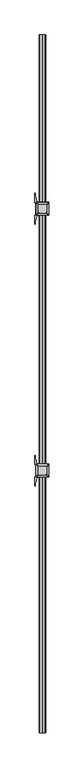
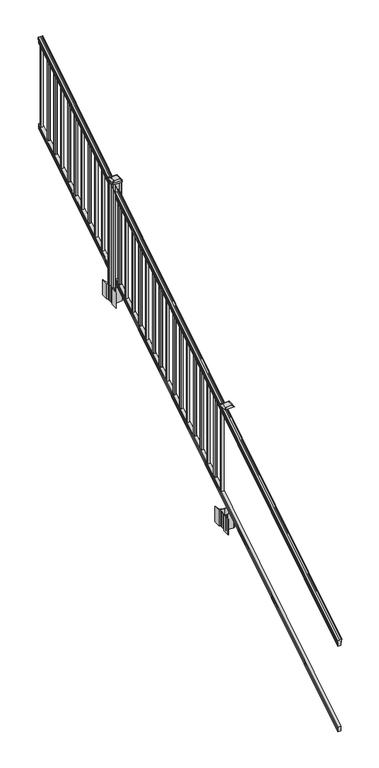
"""IFC4 building model written with IfcOpenShell, lengths in millimetres: railing geometry."""

from ifc_helpers import new_model, si_unit, point, frame, frame_2d, origin, place, context, project, spatial, polyline, circle_curve, ellipse_curve, trimmed, segment, composite_curve, outline, extrude, faceted_brep, source, transform, mapped, element, save
from ifc_brep_helpers import plane_surface, cylinder_surface, revolved_surface, extruded_surface, advanced_brep


def railing_2fafde2e(model_context):
    return source(origin(), model_context, "Body", "SolidModel", [
        advanced_brep(
        [(8518.5130321, -7669.8194681, 1133.2070492), (8518.5130321, -7669.8194681, 1135.4335658), (8519.6432184, -7669.8194681, 1137.2758543), (8519.6432184, -7669.8194681, 1145.7876358), (8518.993962, -7669.8194681, 1148.6572588), (8521.493962, -7669.8194681, 1153.7635509), (8522.9033045, -7669.8194681, 1155.7442021), (8523.3052035, -7669.8194681, 1157.0469579), (8523.3052034, -7669.8194681, 1158.6274846), (8521.7517561, -7669.8194681, 1160.4593836), (8501.0802034, -7669.8194681, 1160.4593836), (8480.4086506, -7669.8194681, 1160.4593836), (8478.8552034, -7669.8194681, 1158.6274846), (8478.8552034, -7669.8194681, 1157.0469579), (8479.2571023, -7669.8194681, 1155.7442021), (8480.6664447, -7669.8194681, 1153.7635509), (8483.1664447, -7669.8194681, 1148.6572588), (8482.5171883, -7669.8194681, 1145.7876358), (8482.5171883, -7669.8194681, 1137.2758543), (8483.6473746, -7669.8194681, 1135.4335658), (8483.6473746, -7669.8194681, 1133.2070492), (8486.2212034, -7669.8194681, 1133.2070492), (8486.2212034, -7669.8194681, 1120.825537), (8485.2052034, -7669.8194681, 1119.6274214), (8485.2052034, -7669.8194681, 1104.9), (8516.9552034, -7669.8194681, 1104.9), (8516.9552034, -7669.8194681, 1119.441318), (8515.9392034, -7669.8194681, 1120.6394336), (8515.9392034, -7669.8194681, 1133.2070492), (8518.5130321, -2793.0194681, 4181.2070492), (8515.9392034, -2793.0194681, 4181.2070492), (8515.9392034, -2793.0194681, 4168.6394336), (8516.9552034, -2793.0194681, 4167.441318), (8516.9552034, -2793.0194681, 4152.9), (8485.2052034, -2793.0194681, 4152.9), (8485.2052034, -2793.0194681, 4167.6274214), (8486.2212034, -2793.0194681, 4168.825537), (8486.2212034, -2793.0194681, 4181.2070492), (8483.6473746, -2793.0194681, 4181.2070492), (8483.6473746, -2793.0194681, 4183.4335658), (8482.5171883, -2793.0194681, 4185.2758543), (8482.5171883, -2793.0194681, 4193.7876358), (8483.1664447, -2793.0194681, 4196.6572588), (8480.6664447, -2793.0194681, 4201.7635509), (8479.2571023, -2793.0194681, 4203.7442021), (8478.8552033, -2793.0194681, 4205.0469579), (8478.8552034, -2793.0194681, 4206.6274846), (8480.4086506, -2793.0194681, 4208.4593836), (8501.0802034, -2793.0194681, 4208.4593836), (8521.7517561, -2793.0194681, 4208.4593836), (8523.3052034, -2793.0194681, 4206.6274846), (8523.3052034, -2793.0194681, 4205.0469579), (8522.9033045, -2793.0194681, 4203.7442021), (8521.493962, -2793.0194681, 4201.7635509), (8518.993962, -2793.0194681, 4196.6572588), (8519.6432184, -2793.0194681, 4193.7876358), (8519.6432184, -2793.0194681, 4185.2758543), (8518.5130321, -2793.0194681, 4183.4335658)],
        [
            (0, 1),
            (1, 2, ellipse_curve(frame((8512.1982788, -7669.8194681, 1142.2239405), z_axis=(0.0, -1.0, 0.0), x_axis=(0.0, 0.0, -1.0)), 10.0777926, 8.545951)),
            (2, 3, ellipse_curve(frame((8512.6353418, -7669.8194681, 1141.5317451), z_axis=(0.0, -1.0, 0.0), x_axis=(0.0, 0.0, -1.0)), 9.2955186, 7.882584)),
            (3, 4, ellipse_curve(frame((8523.1486659, -7669.8194681, 1148.4275077), z_axis=(0.0, 1.0, 0.0), x_axis=(0.0, 0.0, 1.0)), 4.9048088, 4.1592695)),
            (4, 5, ellipse_curve(frame((8524.4359725, -7669.8194681, 1148.3563208), z_axis=(0.0, 1.0, 0.0), x_axis=(0.0, 0.0, 1.0)), 6.4245301, 5.4479907)),
            (5, 6, ellipse_curve(frame((8523.202814, -7669.8194681, 1153.7602333), z_axis=(0.0, 1.0, 0.0), x_axis=(0.0, 0.0, 1.0)), 2.0151625, 1.7088543)),
            (6, 7, ellipse_curve(frame((8521.5859139, -7669.8194681, 1157.0469579), z_axis=(0.0, -1.0, 0.0), x_axis=(0.0, 0.0, -1.0)), 2.0274681, 1.7192895)),
            (7, 8),
            (8, 9, ellipse_curve(frame((8521.7517561, -7669.8194681, 1158.6274846), z_axis=(0.0, -1.0, 0.0), x_axis=(0.0, 0.0, -1.0)), 1.831899, 1.5534472)),
            (9, 10),
            (10, 11),
            (11, 12, ellipse_curve(frame((8480.4086506, -7669.8194681, 1158.6274846), z_axis=(0.0, -1.0, 0.0), x_axis=(0.0, 0.0, -1.0)), 1.831899, 1.5534472)),
            (12, 13),
            (13, 14, ellipse_curve(frame((8480.5744928, -7669.8194681, 1157.0469579), z_axis=(0.0, -1.0, 0.0), x_axis=(0.0, 0.0, -1.0)), 2.0274681, 1.7192895)),
            (14, 15, ellipse_curve(frame((8478.9575927, -7669.8194681, 1153.7602333), z_axis=(0.0, 1.0, 0.0), x_axis=(0.0, 0.0, 1.0)), 2.0151625, 1.7088543)),
            (15, 16, ellipse_curve(frame((8477.7244343, -7669.8194681, 1148.3563208), z_axis=(0.0, 1.0, 0.0), x_axis=(0.0, 0.0, 1.0)), 6.4245301, 5.4479907)),
            (16, 17, ellipse_curve(frame((8479.0117408, -7669.8194681, 1148.4275077), z_axis=(0.0, 1.0, 0.0), x_axis=(0.0, 0.0, 1.0)), 4.9048088, 4.1592695)),
            (17, 18, ellipse_curve(frame((8489.525065, -7669.8194681, 1141.5317451), z_axis=(0.0, -1.0, 0.0), x_axis=(0.0, 0.0, -1.0)), 9.2955186, 7.882584)),
            (18, 19, ellipse_curve(frame((8489.9621279, -7669.8194681, 1142.2239405), z_axis=(0.0, -1.0, 0.0), x_axis=(0.0, 0.0, -1.0)), 10.0777926, 8.545951)),
            (19, 20),
            (20, 21, ellipse_curve(frame((8484.934289, -7669.8194681, 1133.2070492), z_axis=(0.0, -1.0, 0.0), x_axis=(0.0, 0.0, -1.0)), 1.5175907, 1.2869144)),
            (21, 22),
            (22, 23),
            (23, 24),
            (24, 25),
            (25, 26),
            (26, 27),
            (27, 28),
            (28, 0, ellipse_curve(frame((8517.2261177, -7669.8194681, 1133.2070492), z_axis=(0.0, -1.0, 0.0), x_axis=(0.0, 0.0, -1.0)), 1.5175907, 1.2869144)),
            (29, 30, ellipse_curve(frame((8517.2261177, -2793.0194681, 4181.2070492), z_axis=(0.0, 1.0, 0.0), x_axis=(0.0, 0.0, -1.0)), 1.5175907, 1.2869144)),
            (30, 31),
            (31, 32),
            (32, 33),
            (33, 34),
            (34, 35),
            (35, 36),
            (36, 37),
            (37, 38, ellipse_curve(frame((8484.934289, -2793.0194681, 4181.2070492), z_axis=(0.0, 1.0, 0.0), x_axis=(0.0, 0.0, -1.0)), 1.5175907, 1.2869144)),
            (38, 39),
            (39, 40, ellipse_curve(frame((8489.9621279, -2793.0194681, 4190.2239405), z_axis=(0.0, 1.0, 0.0), x_axis=(0.0, 0.0, -1.0)), 10.0777926, 8.545951)),
            (40, 41, ellipse_curve(frame((8489.525065, -2793.0194681, 4189.5317451), z_axis=(0.0, 1.0, 0.0), x_axis=(0.0, 0.0, -1.0)), 9.2955186, 7.882584)),
            (41, 42, ellipse_curve(frame((8479.0117408, -2793.0194681, 4196.4275077), z_axis=(0.0, -1.0, 0.0), x_axis=(0.0, 0.0, 1.0)), 4.9048088, 4.1592695)),
            (42, 43, ellipse_curve(frame((8477.7244343, -2793.0194681, 4196.3563208), z_axis=(0.0, -1.0, 0.0), x_axis=(0.0, 0.0, 1.0)), 6.4245301, 5.4479907)),
            (43, 44, ellipse_curve(frame((8478.9575927, -2793.0194681, 4201.7602333), z_axis=(0.0, -1.0, 0.0), x_axis=(0.0, 0.0, 1.0)), 2.0151625, 1.7088543)),
            (44, 45, ellipse_curve(frame((8480.5744928, -2793.0194681, 4205.0469579), z_axis=(0.0, 1.0, 0.0), x_axis=(0.0, 0.0, -1.0)), 2.0274681, 1.7192895)),
            (45, 46),
            (46, 47, ellipse_curve(frame((8480.4086506, -2793.0194681, 4206.6274846), z_axis=(0.0, 1.0, 0.0), x_axis=(0.0, 0.0, -1.0)), 1.831899, 1.5534472)),
            (47, 48),
            (48, 49),
            (49, 50, ellipse_curve(frame((8521.7517561, -2793.0194681, 4206.6274846), z_axis=(0.0, 1.0, 0.0), x_axis=(0.0, 0.0, -1.0)), 1.831899, 1.5534472)),
            (50, 51),
            (51, 52, ellipse_curve(frame((8521.5859139, -2793.0194681, 4205.0469579), z_axis=(0.0, 1.0, 0.0), x_axis=(0.0, 0.0, -1.0)), 2.0274681, 1.7192895)),
            (52, 53, ellipse_curve(frame((8523.202814, -2793.0194681, 4201.7602333), z_axis=(0.0, -1.0, 0.0), x_axis=(0.0, 0.0, 1.0)), 2.0151625, 1.7088543)),
            (53, 54, ellipse_curve(frame((8524.4359725, -2793.0194681, 4196.3563208), z_axis=(0.0, -1.0, 0.0), x_axis=(0.0, 0.0, 1.0)), 6.4245301, 5.4479907)),
            (54, 55, ellipse_curve(frame((8523.1486659, -2793.0194681, 4196.4275077), z_axis=(0.0, -1.0, 0.0), x_axis=(0.0, 0.0, 1.0)), 4.9048088, 4.1592695)),
            (55, 56, ellipse_curve(frame((8512.6353418, -2793.0194681, 4189.5317451), z_axis=(0.0, 1.0, 0.0), x_axis=(0.0, 0.0, -1.0)), 9.2955186, 7.882584)),
            (56, 57, ellipse_curve(frame((8512.1982788, -2793.0194681, 4190.2239405), z_axis=(0.0, 1.0, 0.0), x_axis=(0.0, 0.0, -1.0)), 10.0777926, 8.545951)),
            (57, 29),
            (28, 30),
            (29, 0),
            (27, 31),
            (26, 32),
            (25, 33),
            (24, 34),
            (23, 35),
            (22, 36),
            (21, 37),
            (20, 38),
            (19, 39),
            (18, 40),
            (17, 41),
            (16, 42),
            (15, 43),
            (14, 44),
            (13, 45),
            (12, 46),
            (11, 47),
            (10, 48),
            (9, 49),
            (8, 50),
            (7, 51),
            (6, 52),
            (5, 53),
            (4, 54),
            (3, 55),
            (2, 56),
            (1, 57),
        ],
        [
            plane_surface(frame((8501.0802034, -7669.8194681, 1104.9), z_axis=(0.0, -1.0, 0.0), x_axis=(0.0, 0.0, 1.0))),
            plane_surface(frame((8501.0802034, -2793.0194681, 4152.9), z_axis=(0.0, 1.0, 0.0), x_axis=(0.0, 0.0, 1.0))),
            cylinder_surface(frame((8517.2261177, -7682.5417374, 1125.2556309), z_axis=(0.0, -0.8479983040051252, -0.5299989400031204), x_axis=(-1.0, 0.0, 0.0)), 1.2869144),
            plane_surface(frame((8515.9392034, -7669.8194681, 1120.6394336), z_axis=(1.0, 0.0, 0.0), x_axis=(0.0, 0.8479983040051252, 0.5299989400031204))),
            plane_surface(frame((8516.9552034, -7669.8194681, 1119.441318), z_axis=(0.7071067811865389, -0.374765844497894, 0.5996253511967223), x_axis=(0.0, 0.8479983040051252, 0.5299989400031205))),
            plane_surface(frame((8516.9552034, -7669.8194681, 1104.9), z_axis=(1.0, 0.0, 0.0), x_axis=(0.0, 0.8479983040051252, 0.5299989400031205))),
            plane_surface(frame((8485.2052034, -7669.8194681, 1104.9), z_axis=(0.0, 0.5299989400031204, -0.8479983040051252), x_axis=(0.0, 0.8479983040051252, 0.5299989400031204))),
            plane_surface(frame((8485.2052034, -7669.8194681, 1119.6274214), z_axis=(-1.0, 0.0, 0.0), x_axis=(0.0, 0.8479983040051252, 0.5299989400031204))),
            plane_surface(frame((8486.2212034, -7669.8194681, 1120.825537), z_axis=(-0.7071067811865439, -0.37476584449788986, 0.5996253511967191), x_axis=(0.0, 0.8479983040051252, 0.5299989400031204))),
            plane_surface(frame((8486.2212034, -7669.8194681, 1133.2070492), z_axis=(-1.0000000000000002, 0.0, 0.0), x_axis=(0.0, 0.8479983040051253, 0.5299989400031204))),
            cylinder_surface(frame((8484.934289, -7682.5417374, 1125.2556309), z_axis=(0.0, -0.8479983040051252, -0.5299989400031204), x_axis=(1.0, 0.0, 0.0)), 1.2869144),
            plane_surface(frame((8483.6473746, -7669.8194681, 1135.4335658), z_axis=(-1.0, 0.0, 0.0), x_axis=(0.0, 0.8479983040051252, 0.5299989400031204))),
            cylinder_surface(frame((8489.9621279, -7686.5942728, 1131.7396876), z_axis=(0.0, -0.8479983040051252, -0.5299989400031204), x_axis=(1.0, 0.0, 0.0)), 8.545951),
            cylinder_surface(frame((8489.525065, -7686.2831737, 1131.241929), z_axis=(0.0, -0.8479983040051252, -0.5299989400031204), x_axis=(1.0, 0.0, 0.0)), 7.882584),
            revolved_surface(polyline([(8483.1710103, -2790.8150596503474, 4197.805262980553), (8483.1710103, -7672.023876549438, 1147.0497524190998)]), (8479.0117408, -7689.3823929, 1136.2006797), (0.0, 0.8479983040051252, 0.5299989400031204)),
            revolved_surface(polyline([(8483.172425, -2790.132038835741, 4198.160964077184), (8483.172425, -7672.7068973528085, 1146.5516775044932)]), (8477.7244343, -7689.3503988, 1136.1494891), (0.0, 0.8479983040051252, 0.5299989400031204)),
            revolved_surface(polyline([(8480.666447000001, -2792.113777099785, 4202.326290199656), (8480.666447000001, -7670.725159122471, 1153.1941764359535)]), (8478.9575927, -7691.7791235, 1140.0354487), (0.0, 0.8479983040051252, 0.5299989400031204)),
            cylinder_surface(frame((8480.5744928, -7693.2563031, 1142.398936), z_axis=(0.0, -0.8479983040051252, -0.5299989400031204), x_axis=(1.0, 0.0, 0.0)), 1.7192895),
            plane_surface(frame((8478.8552034, -7669.8194681, 1158.6274846), z_axis=(-1.0, 0.0, 0.0), x_axis=(0.0, 0.8479983040051252, 0.5299989400031204))),
            cylinder_surface(frame((8480.4086506, -7693.9666522, 1143.5354945), z_axis=(0.0, -0.8479983040051252, -0.5299989400031204), x_axis=(1.0, 0.0, 0.0)), 1.5534472),
            plane_surface(frame((8501.0802034, -7669.8194681, 1160.4593836), z_axis=(0.0, -0.5299989400031204, 0.8479983040051252), x_axis=(0.0, 0.8479983040051252, 0.5299989400031204))),
            plane_surface(frame((8521.7517561, -7669.8194681, 1160.4593836), z_axis=(0.0, -0.5299989400031204, 0.8479983040051252), x_axis=(0.0, 0.8479983040051252, 0.5299989400031204))),
            cylinder_surface(frame((8521.7517561, -7693.9666522, 1143.5354945), z_axis=(0.0, -0.8479983040051252, -0.5299989400031204), x_axis=(-1.0, 0.0, 0.0)), 1.5534472),
            plane_surface(frame((8523.3052034, -7669.8194681, 1157.0469579), z_axis=(1.0, 0.0, 0.0), x_axis=(0.0, 0.8479983040051252, 0.5299989400031204))),
            cylinder_surface(frame((8521.5859139, -7693.2563031, 1142.398936), z_axis=(0.0, -0.8479983040051252, -0.5299989400031204), x_axis=(-1.0, 0.0, 0.0)), 1.7192895),
            revolved_surface(polyline([(8521.4939597, -2792.113777099785, 4202.326290199656), (8521.4939597, -7670.725159122471, 1153.1941764359535)]), (8523.202814, -7691.7791235, 1140.0354487), (0.0, 0.8479983040051252, 0.5299989400031204)),
            revolved_surface(polyline([(8518.987981799999, -2790.132038835741, 4198.160964077184), (8518.987981799999, -7672.7068973528085, 1146.5516775044932)]), (8524.4359725, -7689.3503988, 1136.1494891), (0.0, 0.8479983040051252, 0.5299989400031204)),
            revolved_surface(polyline([(8518.9893964, -2790.8150596503474, 4197.805262980553), (8518.9893964, -7672.023876549438, 1147.0497524190998)]), (8523.1486659, -7689.3823929, 1136.2006797), (0.0, 0.8479983040051252, 0.5299989400031204)),
            cylinder_surface(frame((8512.6353418, -7686.2831737, 1131.241929), z_axis=(0.0, -0.8479983040051252, -0.5299989400031204), x_axis=(-1.0, 0.0, 0.0)), 7.882584),
            cylinder_surface(frame((8512.1982788, -7686.5942728, 1131.7396876), z_axis=(0.0, -0.8479983040051252, -0.5299989400031204), x_axis=(-1.0, 0.0, 0.0)), 8.545951),
            plane_surface(frame((8518.5130321, -7669.8194681, 1133.2070492), z_axis=(1.0, 0.0, 0.0), x_axis=(0.0, 0.8479983040051252, 0.5299989400031204))),
        ],
        [
            (0, [[1, 2, 3, 4, 5, 6, 7, 8, 9, 10, 11, 12, 13, 14, 15, 16, 17, 18, 19, 20, 21, 22, 23, 24, 25, 26, 27, 28, 29]]),
            (1, [[30, 31, 32, 33, 34, 35, 36, 37, 38, 39, 40, 41, 42, 43, 44, 45, 46, 47, 48, 49, 50, 51, 52, 53, 54, 55, 56, 57, 58]]),
            (2, [[-29, 59, -30, 60]]),
            (3, [[-28, 61, -31, -59]]),
            (4, [[-27, 62, -32, -61]]),
            (5, [[-26, 63, -33, -62]]),
            (6, [[-25, 64, -34, -63]]),
            (7, [[-24, 65, -35, -64]]),
            (8, [[-23, 66, -36, -65]]),
            (9, [[-22, 67, -37, -66]]),
            (10, [[-21, 68, -38, -67]]),
            (11, [[-20, 69, -39, -68]]),
            (12, [[-19, 70, -40, -69]]),
            (13, [[-18, 71, -41, -70]]),
            (14, [[-17, 72, -42, -71]]),
            (15, [[-16, 73, -43, -72]]),
            (16, [[-15, 74, -44, -73]]),
            (17, [[-14, 75, -45, -74]]),
            (18, [[-13, 76, -46, -75]]),
            (19, [[-12, 77, -47, -76]]),
            (20, [[-11, 78, -48, -77]]),
            (21, [[-10, 79, -49, -78]]),
            (22, [[-9, 80, -50, -79]]),
            (23, [[-8, 81, -51, -80]]),
            (24, [[-7, 82, -52, -81]]),
            (25, [[-6, 83, -53, -82]]),
            (26, [[-5, 84, -54, -83]]),
            (27, [[-4, 85, -55, -84]]),
            (28, [[-3, 86, -56, -85]]),
            (29, [[-2, 87, -57, -86]]),
            (30, [[-1, -60, -58, -87]]),
        ],
    ),
        faceted_brep([(8516.9926903, -7669.8194681, 268.8045079), (8515.9766903, -7669.8194681, 270.338026), (8515.9766903, -7669.8194681, 282.5545048), (8516.9926903, -7669.8194681, 284.1444579), (8516.9926903, -7669.8194681, 298.9244744), (8485.2426903, -7669.8194681, 298.9244744), (8485.2426903, -7669.8194681, 284.1248272), (8486.2586903, -7669.8194681, 282.5348741), (8486.2586903, -7669.8194681, 270.3748303), (8485.2426903, -7669.8194681, 268.7848772), (8485.2426903, -7669.8194681, 254.0), (8516.9926903, -7669.8194681, 254.0), (8516.9926903, -2793.0194681, 3316.8045079), (8516.9926903, -2793.0194681, 3302.0), (8485.2426903, -2793.0194681, 3302.0), (8485.2426903, -2793.0194681, 3316.7848772), (8486.2586903, -2793.0194681, 3318.3748303), (8486.2586903, -2793.0194681, 3330.5348741), (8485.2426903, -2793.0194681, 3332.1248272), (8485.2426903, -2793.0194681, 3346.9244744), (8516.9926903, -2793.0194681, 3346.9244744), (8516.9926903, -2793.0194681, 3332.1444579), (8515.9766903, -2793.0194681, 3330.5545048), (8515.9766903, -2793.0194681, 3318.338026)], [[[0, 1, 2, 3, 4, 5, 6, 7, 8, 9, 10, 11]], [[12, 13, 14, 15, 16, 17, 18, 19, 20, 21, 22, 23]], [[0, 11, 13, 12]], [[11, 10, 14, 13]], [[10, 9, 15, 14]], [[9, 8, 16, 15]], [[8, 7, 17, 16]], [[7, 6, 18, 17]], [[6, 5, 19, 18]], [[5, 4, 20, 19]], [[4, 3, 21, 20]], [[3, 2, 22, 21]], [[2, 1, 23, 22]], [[1, 0, 12, 23]]]),
        extrude(outline(polyline([(8510.6052034, -2824.1344681), (8491.5552034, -2824.1344681), (8491.5552034, -2805.0844681), (8510.6052034, -2805.0844681), (8510.6052034, -2824.1344681)]), holes=[polyline([(8510.2083284, -2823.7375931), (8510.2083284, -2805.4813431), (8491.9520784, -2805.4813431), (8491.9520784, -2823.7375931), (8510.2083284, -2823.7375931)])]), frame((0.0, 0.0, 3326.6021281), z_axis=(0.0, 0.0, 1.0), x_axis=(1.0, 0.0, 0.0)), (0.0, 0.0, 1.0), 812.8041219),
        extrude(outline(polyline([(8510.6052034, -2935.3864681), (8491.5552034, -2935.3864681), (8491.5552034, -2916.3364681), (8510.6052034, -2916.3364681), (8510.6052034, -2935.3864681)]), holes=[polyline([(8510.2083284, -2934.9895931), (8510.2083284, -2916.7333431), (8491.9520784, -2916.7333431), (8491.9520784, -2934.9895931), (8510.2083284, -2934.9895931)])]), frame((0.0, 0.0, 3257.0696281), z_axis=(0.0, 0.0, 1.0), x_axis=(1.0, 0.0, 0.0)), (0.0, 0.0, 1.0), 812.8041219),
        extrude(outline(polyline([(8510.6052034, -3046.6384681), (8491.5552034, -3046.6384681), (8491.5552034, -3027.5884681), (8510.6052034, -3027.5884681), (8510.6052034, -3046.6384681)]), holes=[polyline([(8510.2083284, -3046.2415931), (8510.2083284, -3027.9853431), (8491.9520784, -3027.9853431), (8491.9520784, -3046.2415931), (8510.2083284, -3046.2415931)])]), frame((0.0, 0.0, 3187.5371281), z_axis=(0.0, 0.0, 1.0), x_axis=(1.0, 0.0, 0.0)), (0.0, 0.0, 1.0), 812.8041219),
        extrude(outline(polyline([(8510.6052034, -3157.8904681), (8491.5552034, -3157.8904681), (8491.5552034, -3138.8404681), (8510.6052034, -3138.8404681), (8510.6052034, -3157.8904681)]), holes=[polyline([(8510.2083284, -3157.4935931), (8510.2083284, -3139.2373431), (8491.9520784, -3139.2373431), (8491.9520784, -3157.4935931), (8510.2083284, -3157.4935931)])]), frame((0.0, 0.0, 3118.0046281), z_axis=(0.0, 0.0, 1.0), x_axis=(1.0, 0.0, 0.0)), (0.0, 0.0, 1.0), 812.8041219),
        extrude(outline(polyline([(8510.6052034, -3269.1424681), (8491.5552034, -3269.1424681), (8491.5552034, -3250.0924681), (8510.6052034, -3250.0924681), (8510.6052034, -3269.1424681)]), holes=[polyline([(8510.2083284, -3268.7455931), (8510.2083284, -3250.4893431), (8491.9520784, -3250.4893431), (8491.9520784, -3268.7455931), (8510.2083284, -3268.7455931)])]), frame((0.0, 0.0, 3048.4721281), z_axis=(0.0, 0.0, 1.0), x_axis=(1.0, 0.0, 0.0)), (0.0, 0.0, 1.0), 812.8041219),
        extrude(outline(polyline([(8510.6052034, -3380.3944681), (8491.5552034, -3380.3944681), (8491.5552034, -3361.3444681), (8510.6052034, -3361.3444681), (8510.6052034, -3380.3944681)]), holes=[polyline([(8510.2083284, -3379.9975931), (8510.2083284, -3361.7413431), (8491.9520784, -3361.7413431), (8491.9520784, -3379.9975931), (8510.2083284, -3379.9975931)])]), frame((0.0, 0.0, 2978.9396281), z_axis=(0.0, 0.0, 1.0), x_axis=(1.0, 0.0, 0.0)), (0.0, 0.0, 1.0), 812.8041219),
        extrude(outline(polyline([(8510.6052034, -3491.6464681), (8491.5552034, -3491.6464681), (8491.5552034, -3472.5964681), (8510.6052034, -3472.5964681), (8510.6052034, -3491.6464681)]), holes=[polyline([(8510.2083284, -3491.2495931), (8510.2083284, -3472.9933431), (8491.9520784, -3472.9933431), (8491.9520784, -3491.2495931), (8510.2083284, -3491.2495931)])]), frame((0.0, 0.0, 2909.4071281), z_axis=(0.0, 0.0, 1.0), x_axis=(1.0, 0.0, 0.0)), (0.0, 0.0, 1.0), 812.8041219),
        extrude(outline(polyline([(8510.6052034, -3602.8984681), (8491.5552034, -3602.8984681), (8491.5552034, -3583.8484681), (8510.6052034, -3583.8484681), (8510.6052034, -3602.8984681)]), holes=[polyline([(8510.2083284, -3602.5015931), (8510.2083284, -3584.2453431), (8491.9520784, -3584.2453431), (8491.9520784, -3602.5015931), (8510.2083284, -3602.5015931)])]), frame((0.0, 0.0, 2839.8746281), z_axis=(0.0, 0.0, 1.0), x_axis=(1.0, 0.0, 0.0)), (0.0, 0.0, 1.0), 812.8041219),
        extrude(outline(polyline([(8510.6052034, -3714.1504681), (8491.5552034, -3714.1504681), (8491.5552034, -3695.1004681), (8510.6052034, -3695.1004681), (8510.6052034, -3714.1504681)]), holes=[polyline([(8510.2083284, -3713.7535931), (8510.2083284, -3695.4973431), (8491.9520784, -3695.4973431), (8491.9520784, -3713.7535931), (8510.2083284, -3713.7535931)])]), frame((0.0, 0.0, 2770.3421281), z_axis=(0.0, 0.0, 1.0), x_axis=(1.0, 0.0, 0.0)), (0.0, 0.0, 1.0), 812.8041219),
        extrude(outline(polyline([(8510.6052034, -3825.4024681), (8491.5552034, -3825.4024681), (8491.5552034, -3806.3524681), (8510.6052034, -3806.3524681), (8510.6052034, -3825.4024681)]), holes=[polyline([(8510.2083284, -3825.0055931), (8510.2083284, -3806.7493431), (8491.9520784, -3806.7493431), (8491.9520784, -3825.0055931), (8510.2083284, -3825.0055931)])]), frame((0.0, 0.0, 2700.8096281), z_axis=(0.0, 0.0, 1.0), x_axis=(1.0, 0.0, 0.0)), (0.0, 0.0, 1.0), 812.8041219),
        extrude(outline(polyline([(8510.6052034, -3936.6544681), (8491.5552034, -3936.6544681), (8491.5552034, -3917.6044681), (8510.6052034, -3917.6044681), (8510.6052034, -3936.6544681)]), holes=[polyline([(8510.2083284, -3936.2575931), (8510.2083284, -3918.0013431), (8491.9520784, -3918.0013431), (8491.9520784, -3936.2575931), (8510.2083284, -3936.2575931)])]), frame((0.0, 0.0, 2631.2771281), z_axis=(0.0, 0.0, 1.0), x_axis=(1.0, 0.0, 0.0)), (0.0, 0.0, 1.0), 812.8041219),
        extrude(outline(composite_curve([segment(polyline([(8543.8157034, -4025.541563), (8545.4032034, -4026.303563), (8545.4032034, -4049.105491), (8542.0302263, -4052.4784681), (8480.5705555, -4052.4784681), (8480.5705555, -4053.3992181), (8475.2530117, -4053.3992181), (8475.2530117, -4054.8534728), (8470.168482, -4054.8534728), (8470.168482, -4056.1374966), (8468.5012097, -4056.1374966)]), True, "CONTINUOUS"), segment(trimmed(circle_curve(frame_2d((8468.5012097, -4063.1969565)), 7.0594599), [point((8468.5012097, -4056.1374966))], [point((8461.7339468, -4061.1869498))], True, "CARTESIAN"), True, "CONTINUOUS"), segment(polyline([(8461.7339468, -4061.1869498), (8453.8597526, -4087.6976789)]), True, "CONTINUOUS"), segment(trimmed(circle_curve(frame_2d((8508.6442659, -4103.9697285)), 57.15), [point((8453.8597526, -4087.6976789))], [point((8451.4942659, -4103.9697285))], True, "CARTESIAN"), True, "CONTINUOUS"), segment(polyline([(8451.4942659, -4103.9697285), (8451.4942659, -4115.9784681), (8448.4942659, -4115.9784681), (8448.4942659, -4050.8909681), (8456.7572034, -4039.5526768), (8456.7572034, -4026.303563), (8458.3447034, -4025.541563), (8458.3447034, -3990.7693732), (8456.7572034, -3990.0073732), (8456.7572034, -3976.7582594), (8448.4942659, -3965.4199681), (8448.4942659, -3900.3324681), (8451.4942659, -3900.3324681), (8451.4942659, -3912.3412076)]), True, "CONTINUOUS"), segment(trimmed(circle_curve(frame_2d((8508.6442659, -3912.3412076)), 57.15), [point((8451.4942659, -3912.3412076))], [point((8453.8597526, -3928.6132573))], True, "CARTESIAN"), True, "CONTINUOUS"), segment(polyline([(8453.8597526, -3928.6132573), (8461.7339468, -3955.1239864)]), True, "CONTINUOUS"), segment(trimmed(circle_curve(frame_2d((8468.5012097, -3953.1139797)), 7.0594599), [point((8461.7339468, -3955.1239864))], [point((8468.5012097, -3960.1734396))], True, "CARTESIAN"), True, "CONTINUOUS"), segment(polyline([(8468.5012097, -3960.1734396), (8470.168482, -3960.1734396), (8470.168482, -3961.4574634), (8475.2530117, -3961.4574634), (8475.2530117, -3962.9117181), (8480.5705555, -3962.9117181), (8480.5705555, -3963.8324681), (8542.0302263, -3963.8324681), (8545.4032034, -3967.2054452), (8545.4032034, -3990.0073732), (8543.8157034, -3990.7693732), (8543.8157034, -4025.541563)]), True, "CONTINUOUS")], self_intersect=False), holes=[polyline([(8459.8052034, -3968.4679681), (8459.8052034, -4047.8429681), (8461.3927034, -4049.4304681), (8498.316986, -4049.4304681), (8540.7677034, -4049.4304681), (8542.3552034, -4047.8429681), (8542.3552034, -3968.4679681), (8540.7677034, -3966.8804681), (8498.316986, -3966.8804681), (8461.3927034, -3966.8804681), (8459.8052034, -3968.4679681)])]), frame((0.0, 0.0, 2326.64), z_axis=(0.0, 0.0, 1.0), x_axis=(1.0, 0.0, 0.0)), (0.0, 0.0, 1.0), 152.4),
        advanced_brep(
        [(8475.2833284, -4037.1273431, 3538.979263), (8526.8770784, -4037.1273431, 3538.979263), (8530.0520784, -4033.9523431, 3538.979263), (8530.0520784, -3982.3585931, 3538.979263), (8526.8770784, -3979.1835931, 3538.979263), (8475.2833284, -3979.1835931, 3538.979263), (8472.1083284, -3982.3585931, 3538.979263), (8472.1083284, -4033.9523431, 3538.979263), (8459.0114534, -4053.3992181, 3527.676263), (8455.8364534, -4050.2242181, 3527.676263), (8455.8364534, -3966.0867181, 3527.676263), (8459.0114534, -3962.9117181, 3527.676263), (8543.1489534, -3962.9117181, 3527.676263), (8546.3239534, -3966.0867181, 3527.676263), (8546.3239534, -4050.2242181, 3527.676263), (8543.1489534, -4053.3992181, 3527.676263)],
        [
            (0, 1),
            (1, 2, circle_curve(frame((8526.8770784, -4033.9523431, 3538.979263), z_axis=(0.0, 0.0, 1.0), x_axis=(0.0, 1.0, 0.0)), 3.175)),
            (2, 3),
            (3, 4, circle_curve(frame((8526.8770784, -3982.3585931, 3538.979263), z_axis=(0.0, 0.0, 1.0), x_axis=(0.0, 1.0, 0.0)), 3.175)),
            (4, 5),
            (5, 6, circle_curve(frame((8475.2833284, -3982.3585931, 3538.979263), z_axis=(0.0, 0.0, 1.0), x_axis=(0.0, 1.0, 0.0)), 3.175)),
            (6, 7),
            (7, 0, circle_curve(frame((8475.2833284, -4033.9523431, 3538.979263), z_axis=(0.0, 0.0, 1.0), x_axis=(0.0, 1.0, 0.0)), 3.175)),
            (8, 9, circle_curve(frame((8459.0114534, -4050.2242181, 3527.676263), z_axis=(0.0, 0.0, -1.0), x_axis=(0.0, 1.0, 0.0)), 3.175)),
            (9, 10),
            (10, 11, circle_curve(frame((8459.0114534, -3966.0867181, 3527.676263), z_axis=(0.0, 0.0, -1.0), x_axis=(0.0, 1.0, 0.0)), 3.175)),
            (11, 12),
            (12, 13, circle_curve(frame((8543.1489534, -3966.0867181, 3527.676263), z_axis=(0.0, 0.0, -1.0), x_axis=(0.0, 1.0, 0.0)), 3.175)),
            (13, 14),
            (14, 15, circle_curve(frame((8543.1489534, -4050.2242181, 3527.676263), z_axis=(0.0, 0.0, -1.0), x_axis=(0.0, 1.0, 0.0)), 3.175)),
            (15, 8),
            (8, 0),
            (7, 9),
            (6, 10),
            (5, 11),
            (4, 12),
            (3, 13),
            (2, 14),
            (1, 15),
        ],
        [
            plane_surface(frame((8501.0802034, -4008.1554681, 3538.979263), z_axis=(0.0, 0.0, 1.0), x_axis=(-1.0, 0.0, 0.0))),
            plane_surface(frame((8501.0802034, -4008.1554681, 3527.676263), z_axis=(0.0, 0.0, -1.0), x_axis=(-1.0, 0.0, 0.0))),
            extruded_surface(trimmed(circle_curve(frame((8475.2833284, -4033.9523431, 3538.979263), z_axis=(0.0, 0.0, -1.0), x_axis=(0.0, 1.0, 0.0)), 3.175), [point((8475.2833284, -4037.1273431, 3538.979263))], [point((8472.1083284, -4033.9523431, 3538.979263))], True, "CARTESIAN"), (-16.271875000000364, -16.271875000000364, -11.303000000000338), 25.637972638866774),
            plane_surface(frame((8455.8364534, -4008.1554681, 3527.676263), z_axis=(-0.5705009161540778, 0.0, 0.8212969649690408), x_axis=(0.0, 1.0, 0.0))),
            extruded_surface(trimmed(circle_curve(frame((8475.2833284, -3982.3585931, 3538.979263), z_axis=(0.0, 0.0, -1.0), x_axis=(0.0, 1.0, 0.0)), 3.175), [point((8472.1083284, -3982.3585931, 3538.979263))], [point((8475.2833284, -3979.1835931, 3538.979263))], True, "CARTESIAN"), (-16.271875000000364, 16.27187499999991, -11.303000000000338), 25.637972638866486),
            plane_surface(frame((8501.0802034, -3962.9117181, 3527.676263), z_axis=(0.0, 0.5705009161540291, 0.8212969649690747), x_axis=(1.0, 0.0, 0.0))),
            extruded_surface(trimmed(circle_curve(frame((8526.8770784, -3982.3585931, 3538.979263), z_axis=(0.0, 0.0, -1.0), x_axis=(0.0, 1.0, 0.0)), 3.175), [point((8526.8770784, -3979.1835931, 3538.979263))], [point((8530.0520784, -3982.3585931, 3538.979263))], True, "CARTESIAN"), (16.271874999998545, 16.27187499999991, -11.303000000000338), 25.63797263886533),
            plane_surface(frame((8546.3239534, -4008.1554681, 3527.676263), z_axis=(0.5705009161540142, 0.0, 0.8212969649690851), x_axis=(0.0, -1.0, 0.0))),
            extruded_surface(trimmed(circle_curve(frame((8526.8770784, -4033.9523431, 3538.979263), z_axis=(0.0, 0.0, -1.0), x_axis=(0.0, 1.0, 0.0)), 3.175), [point((8530.0520784, -4033.9523431, 3538.979263))], [point((8526.8770784, -4037.1273431, 3538.979263))], True, "CARTESIAN"), (16.271874999998545, -16.271875000000364, -11.303000000000338), 25.63797263886562),
            plane_surface(frame((8501.0802034, -4053.3992181, 3527.676263), z_axis=(0.0, -0.570500916154034, 0.8212969649690713), x_axis=(-1.0, 0.0, 0.0))),
        ],
        [
            (0, [[1, 2, 3, 4, 5, 6, 7, 8]]),
            (1, [[9, 10, 11, 12, 13, 14, 15, 16]]),
            (2, [[17, -8, 18, -9]]),
            (3, [[-18, -7, 19, -10]]),
            (4, [[-19, -6, 20, -11]]),
            (5, [[-20, -5, 21, -12]]),
            (6, [[-21, -4, 22, -13]]),
            (7, [[-22, -3, 23, -14]]),
            (8, [[-23, -2, 24, -15]]),
            (9, [[-24, -1, -17, -16]]),
        ],
    ),
        extrude(outline(composite_curve([segment(trimmed(circle_curve(frame_2d((8459.0114534, -4050.2242181)), 3.175), [point((8459.0114534, -4053.3992181))], [point((8455.8364534, -4050.2242181))], False, "CARTESIAN"), True, "CONTINUOUS"), segment(polyline([(8455.8364534, -4050.2242181), (8455.8364534, -3966.0867181)]), True, "CONTINUOUS"), segment(trimmed(circle_curve(frame_2d((8459.0114534, -3966.0867181)), 3.175), [point((8455.8364534, -3966.0867181))], [point((8459.0114534, -3962.9117181))], False, "CARTESIAN"), True, "CONTINUOUS"), segment(polyline([(8459.0114534, -3962.9117181), (8543.1489534, -3962.9117181)]), True, "CONTINUOUS"), segment(trimmed(circle_curve(frame_2d((8543.1489534, -3966.0867181)), 3.175), [point((8543.1489534, -3962.9117181))], [point((8546.3239534, -3966.0867181))], False, "CARTESIAN"), True, "CONTINUOUS"), segment(polyline([(8546.3239534, -3966.0867181), (8546.3239534, -4050.2242181)]), True, "CONTINUOUS"), segment(trimmed(circle_curve(frame_2d((8543.1489534, -4050.2242181)), 3.175), [point((8546.3239534, -4050.2242181))], [point((8543.1489534, -4053.3992181))], False, "CARTESIAN"), True, "CONTINUOUS"), segment(polyline([(8543.1489534, -4053.3992181), (8459.0114534, -4053.3992181)]), True, "CONTINUOUS")], self_intersect=False)), frame((0.0, 0.0, 3510.404263), z_axis=(0.0, 0.0, 1.0), x_axis=(1.0, 0.0, 0.0)), (0.0, 0.0, 1.0), 17.272),
        extrude(outline(polyline([(8461.3927034, -4049.4304681), (8459.8052034, -4047.8429681), (8459.8052034, -4028.2214681), (8461.3927034, -4027.4594681), (8461.3927034, -3988.8514681), (8459.8052034, -3988.0894681), (8459.8052034, -3968.4679681), (8461.3927034, -3966.8804681), (8481.0142034, -3966.8804681), (8481.7762034, -3968.4679681), (8520.3842034, -3968.4679681), (8521.1462034, -3966.8804681), (8540.7677034, -3966.8804681), (8542.3552034, -3968.4679681), (8542.3552034, -3988.0894681), (8540.7677034, -3988.8514681), (8540.7677034, -4027.4594681), (8542.3552034, -4028.2214681), (8542.3552034, -4047.8429681), (8540.7677034, -4049.4304681), (8521.1462034, -4049.4304681), (8520.3842034, -4047.8429681), (8481.7762034, -4047.8429681), (8481.0142034, -4049.4304681), (8461.3927034, -4049.4304681)])), frame((0.0, 0.0, 2479.04), z_axis=(0.0, 0.0, 1.0), x_axis=(1.0, 0.0, 0.0)), (0.0, 0.0, 1.0), 1031.364263),
        extrude(outline(polyline([(8510.6052034, -4098.7064681), (8491.5552034, -4098.7064681), (8491.5552034, -4079.6564681), (8510.6052034, -4079.6564681), (8510.6052034, -4098.7064681)]), holes=[polyline([(8510.2083284, -4098.3095931), (8510.2083284, -4080.0533431), (8491.9520784, -4080.0533431), (8491.9520784, -4098.3095931), (8510.2083284, -4098.3095931)])]), frame((0.0, 0.0, 2529.9946281), z_axis=(0.0, 0.0, 1.0), x_axis=(1.0, 0.0, 0.0)), (0.0, 0.0, 1.0), 812.8041219),
        extrude(outline(polyline([(8510.6052034, -4209.9584681), (8491.5552034, -4209.9584681), (8491.5552034, -4190.9084681), (8510.6052034, -4190.9084681), (8510.6052034, -4209.9584681)]), holes=[polyline([(8510.2083284, -4209.5615931), (8510.2083284, -4191.3053431), (8491.9520784, -4191.3053431), (8491.9520784, -4209.5615931), (8510.2083284, -4209.5615931)])]), frame((0.0, 0.0, 2460.4621281), z_axis=(0.0, 0.0, 1.0), x_axis=(1.0, 0.0, 0.0)), (0.0, 0.0, 1.0), 812.8041219),
        extrude(outline(polyline([(8510.6052034, -4321.2104681), (8491.5552034, -4321.2104681), (8491.5552034, -4302.1604681), (8510.6052034, -4302.1604681), (8510.6052034, -4321.2104681)]), holes=[polyline([(8510.2083284, -4320.8135931), (8510.2083284, -4302.5573431), (8491.9520784, -4302.5573431), (8491.9520784, -4320.8135931), (8510.2083284, -4320.8135931)])]), frame((0.0, 0.0, 2390.9296281), z_axis=(0.0, 0.0, 1.0), x_axis=(1.0, 0.0, 0.0)), (0.0, 0.0, 1.0), 812.8041219),
        extrude(outline(polyline([(8510.6052034, -4432.4624681), (8491.5552034, -4432.4624681), (8491.5552034, -4413.4124681), (8510.6052034, -4413.4124681), (8510.6052034, -4432.4624681)]), holes=[polyline([(8510.2083284, -4432.0655931), (8510.2083284, -4413.8093431), (8491.9520784, -4413.8093431), (8491.9520784, -4432.0655931), (8510.2083284, -4432.0655931)])]), frame((0.0, 0.0, 2321.3971281), z_axis=(0.0, 0.0, 1.0), x_axis=(1.0, 0.0, 0.0)), (0.0, 0.0, 1.0), 812.8041219),
        extrude(outline(polyline([(8510.6052034, -4543.7144681), (8491.5552034, -4543.7144681), (8491.5552034, -4524.6644681), (8510.6052034, -4524.6644681), (8510.6052034, -4543.7144681)]), holes=[polyline([(8510.2083284, -4543.3175931), (8510.2083284, -4525.0613431), (8491.9520784, -4525.0613431), (8491.9520784, -4543.3175931), (8510.2083284, -4543.3175931)])]), frame((0.0, 0.0, 2251.8646281), z_axis=(0.0, 0.0, 1.0), x_axis=(1.0, 0.0, 0.0)), (0.0, 0.0, 1.0), 812.8041219),
        extrude(outline(polyline([(8510.6052034, -4654.9664681), (8491.5552034, -4654.9664681), (8491.5552034, -4635.9164681), (8510.6052034, -4635.9164681), (8510.6052034, -4654.9664681)]), holes=[polyline([(8510.2083284, -4654.5695931), (8510.2083284, -4636.3133431), (8491.9520784, -4636.3133431), (8491.9520784, -4654.5695931), (8510.2083284, -4654.5695931)])]), frame((0.0, 0.0, 2182.3321281), z_axis=(0.0, 0.0, 1.0), x_axis=(1.0, 0.0, 0.0)), (0.0, 0.0, 1.0), 812.8041219),
        extrude(outline(polyline([(8510.6052034, -4766.2184681), (8491.5552034, -4766.2184681), (8491.5552034, -4747.1684681), (8510.6052034, -4747.1684681), (8510.6052034, -4766.2184681)]), holes=[polyline([(8510.2083284, -4765.8215931), (8510.2083284, -4747.5653431), (8491.9520784, -4747.5653431), (8491.9520784, -4765.8215931), (8510.2083284, -4765.8215931)])]), frame((0.0, 0.0, 2112.7996281), z_axis=(0.0, 0.0, 1.0), x_axis=(1.0, 0.0, 0.0)), (0.0, 0.0, 1.0), 812.8041219),
        extrude(outline(polyline([(8510.6052034, -4877.4704681), (8491.5552034, -4877.4704681), (8491.5552034, -4858.4204681), (8510.6052034, -4858.4204681), (8510.6052034, -4877.4704681)]), holes=[polyline([(8510.2083284, -4877.0735931), (8510.2083284, -4858.8173431), (8491.9520784, -4858.8173431), (8491.9520784, -4877.0735931), (8510.2083284, -4877.0735931)])]), frame((0.0, 0.0, 2043.2671281), z_axis=(0.0, 0.0, 1.0), x_axis=(1.0, 0.0, 0.0)), (0.0, 0.0, 1.0), 812.8041219),
        extrude(outline(polyline([(8510.6052034, -4988.7224681), (8491.5552034, -4988.7224681), (8491.5552034, -4969.6724681), (8510.6052034, -4969.6724681), (8510.6052034, -4988.7224681)]), holes=[polyline([(8510.2083284, -4988.3255931), (8510.2083284, -4970.0693431), (8491.9520784, -4970.0693431), (8491.9520784, -4988.3255931), (8510.2083284, -4988.3255931)])]), frame((0.0, 0.0, 1973.7346281), z_axis=(0.0, 0.0, 1.0), x_axis=(1.0, 0.0, 0.0)), (0.0, 0.0, 1.0), 812.8041219),
        extrude(outline(polyline([(8510.6052034, -5099.9744681), (8491.5552034, -5099.9744681), (8491.5552034, -5080.9244681), (8510.6052034, -5080.9244681), (8510.6052034, -5099.9744681)]), holes=[polyline([(8510.2083284, -5099.5775931), (8510.2083284, -5081.3213431), (8491.9520784, -5081.3213431), (8491.9520784, -5099.5775931), (8510.2083284, -5099.5775931)])]), frame((0.0, 0.0, 1904.2021281), z_axis=(0.0, 0.0, 1.0), x_axis=(1.0, 0.0, 0.0)), (0.0, 0.0, 1.0), 812.8041219),
        extrude(outline(polyline([(8510.6052034, -5211.2264681), (8491.5552034, -5211.2264681), (8491.5552034, -5192.1764681), (8510.6052034, -5192.1764681), (8510.6052034, -5211.2264681)]), holes=[polyline([(8510.2083284, -5210.8295931), (8510.2083284, -5192.5733431), (8491.9520784, -5192.5733431), (8491.9520784, -5210.8295931), (8510.2083284, -5210.8295931)])]), frame((0.0, 0.0, 1834.6696281), z_axis=(0.0, 0.0, 1.0), x_axis=(1.0, 0.0, 0.0)), (0.0, 0.0, 1.0), 812.8041219),
        extrude(outline(polyline([(8510.6052034, -5322.4784681), (8491.5552034, -5322.4784681), (8491.5552034, -5303.4284681), (8510.6052034, -5303.4284681), (8510.6052034, -5322.4784681)]), holes=[polyline([(8510.2083284, -5322.0815931), (8510.2083284, -5303.8253431), (8491.9520784, -5303.8253431), (8491.9520784, -5322.0815931), (8510.2083284, -5322.0815931)])]), frame((0.0, 0.0, 1765.1371281), z_axis=(0.0, 0.0, 1.0), x_axis=(1.0, 0.0, 0.0)), (0.0, 0.0, 1.0), 812.8041219),
        extrude(outline(polyline([(8510.6052034, -5433.7304681), (8491.5552034, -5433.7304681), (8491.5552034, -5414.6804681), (8510.6052034, -5414.6804681), (8510.6052034, -5433.7304681)]), holes=[polyline([(8510.2083284, -5433.3335931), (8510.2083284, -5415.0773431), (8491.9520784, -5415.0773431), (8491.9520784, -5433.3335931), (8510.2083284, -5433.3335931)])]), frame((0.0, 0.0, 1695.6046281), z_axis=(0.0, 0.0, 1.0), x_axis=(1.0, 0.0, 0.0)), (0.0, 0.0, 1.0), 812.8041219),
        extrude(outline(polyline([(8510.6052034, -5544.9824681), (8491.5552034, -5544.9824681), (8491.5552034, -5525.9324681), (8510.6052034, -5525.9324681), (8510.6052034, -5544.9824681)]), holes=[polyline([(8510.2083284, -5544.5855931), (8510.2083284, -5526.3293431), (8491.9520784, -5526.3293431), (8491.9520784, -5544.5855931), (8510.2083284, -5544.5855931)])]), frame((0.0, 0.0, 1626.0721281), z_axis=(0.0, 0.0, 1.0), x_axis=(1.0, 0.0, 0.0)), (0.0, 0.0, 1.0), 812.8041219),
        extrude(outline(polyline([(8510.6052034, -5656.2344681), (8491.5552034, -5656.2344681), (8491.5552034, -5637.1844681), (8510.6052034, -5637.1844681), (8510.6052034, -5656.2344681)]), holes=[polyline([(8510.2083284, -5655.8375931), (8510.2083284, -5637.5813431), (8491.9520784, -5637.5813431), (8491.9520784, -5655.8375931), (8510.2083284, -5655.8375931)])]), frame((0.0, 0.0, 1556.5396281), z_axis=(0.0, 0.0, 1.0), x_axis=(1.0, 0.0, 0.0)), (0.0, 0.0, 1.0), 812.8041219),
        extrude(outline(polyline([(8510.6052034, -5767.4864681), (8491.5552034, -5767.4864681), (8491.5552034, -5748.4364681), (8510.6052034, -5748.4364681), (8510.6052034, -5767.4864681)]), holes=[polyline([(8510.2083284, -5767.0895931), (8510.2083284, -5748.8333431), (8491.9520784, -5748.8333431), (8491.9520784, -5767.0895931), (8510.2083284, -5767.0895931)])]), frame((0.0, 0.0, 1487.0071281), z_axis=(0.0, 0.0, 1.0), x_axis=(1.0, 0.0, 0.0)), (0.0, 0.0, 1.0), 812.8041219),
        extrude(outline(composite_curve([segment(polyline([(8543.8157034, -5856.373563), (8545.4032034, -5857.135563), (8545.4032034, -5879.937491), (8542.0302263, -5883.3104681), (8480.5705555, -5883.3104681), (8480.5705555, -5884.2312181), (8475.2530117, -5884.2312181), (8475.2530117, -5885.6854728), (8470.168482, -5885.6854728), (8470.168482, -5886.9694966), (8468.5012097, -5886.9694966)]), True, "CONTINUOUS"), segment(trimmed(circle_curve(frame_2d((8468.5012097, -5894.0289565)), 7.0594599), [point((8468.5012097, -5886.9694966))], [point((8461.7339468, -5892.0189498))], True, "CARTESIAN"), True, "CONTINUOUS"), segment(polyline([(8461.7339468, -5892.0189498), (8453.8597526, -5918.5296789)]), True, "CONTINUOUS"), segment(trimmed(circle_curve(frame_2d((8508.6442659, -5934.8017285)), 57.15), [point((8453.8597526, -5918.5296789))], [point((8451.4942659, -5934.8017285))], True, "CARTESIAN"), True, "CONTINUOUS"), segment(polyline([(8451.4942659, -5934.8017285), (8451.4942659, -5946.8104681), (8448.4942659, -5946.8104681), (8448.4942659, -5881.7229681), (8456.7572034, -5870.3846768), (8456.7572034, -5857.135563), (8458.3447034, -5856.373563), (8458.3447034, -5821.6013732), (8456.7572034, -5820.8393732), (8456.7572034, -5807.5902594), (8448.4942659, -5796.2519681), (8448.4942659, -5731.1644681), (8451.4942659, -5731.1644681), (8451.4942659, -5743.1732076)]), True, "CONTINUOUS"), segment(trimmed(circle_curve(frame_2d((8508.6442659, -5743.1732076)), 57.15), [point((8451.4942659, -5743.1732076))], [point((8453.8597526, -5759.4452573))], True, "CARTESIAN"), True, "CONTINUOUS"), segment(polyline([(8453.8597526, -5759.4452573), (8461.7339468, -5785.9559864)]), True, "CONTINUOUS"), segment(trimmed(circle_curve(frame_2d((8468.5012097, -5783.9459797)), 7.0594599), [point((8461.7339468, -5785.9559864))], [point((8468.5012097, -5791.0054396))], True, "CARTESIAN"), True, "CONTINUOUS"), segment(polyline([(8468.5012097, -5791.0054396), (8470.168482, -5791.0054396), (8470.168482, -5792.2894634), (8475.2530117, -5792.2894634), (8475.2530117, -5793.7437181), (8480.5705555, -5793.7437181), (8480.5705555, -5794.6644681), (8542.0302263, -5794.6644681), (8545.4032034, -5798.0374452), (8545.4032034, -5820.8393732), (8543.8157034, -5821.6013732), (8543.8157034, -5856.373563)]), True, "CONTINUOUS")], self_intersect=False), holes=[polyline([(8459.8052034, -5799.2999681), (8459.8052034, -5878.6749681), (8461.3927034, -5880.2624681), (8498.316986, -5880.2624681), (8540.7677034, -5880.2624681), (8542.3552034, -5878.6749681), (8542.3552034, -5799.2999681), (8540.7677034, -5797.7124681), (8498.316986, -5797.7124681), (8461.3927034, -5797.7124681), (8459.8052034, -5799.2999681)])]), frame((0.0, 0.0, 1182.37), z_axis=(0.0, 0.0, 1.0), x_axis=(1.0, 0.0, 0.0)), (0.0, 0.0, 1.0), 152.4),
        advanced_brep(
        [(8475.2833284, -5867.9593431, 2394.709263), (8526.8770784, -5867.9593431, 2394.709263), (8530.0520784, -5864.7843431, 2394.709263), (8530.0520784, -5813.1905931, 2394.709263), (8526.8770784, -5810.0155931, 2394.709263), (8475.2833284, -5810.0155931, 2394.709263), (8472.1083284, -5813.1905931, 2394.709263), (8472.1083284, -5864.7843431, 2394.709263), (8459.0114534, -5884.2312181, 2383.406263), (8455.8364534, -5881.0562181, 2383.406263), (8455.8364534, -5796.9187181, 2383.406263), (8459.0114534, -5793.7437181, 2383.406263), (8543.1489534, -5793.7437181, 2383.406263), (8546.3239534, -5796.9187181, 2383.406263), (8546.3239534, -5881.0562181, 2383.406263), (8543.1489534, -5884.2312181, 2383.406263)],
        [
            (0, 1),
            (1, 2, circle_curve(frame((8526.8770784, -5864.7843431, 2394.709263), z_axis=(0.0, 0.0, 1.0), x_axis=(0.0, 1.0, 0.0)), 3.175)),
            (2, 3),
            (3, 4, circle_curve(frame((8526.8770784, -5813.1905931, 2394.709263), z_axis=(0.0, 0.0, 1.0), x_axis=(0.0, 1.0, 0.0)), 3.175)),
            (4, 5),
            (5, 6, circle_curve(frame((8475.2833284, -5813.1905931, 2394.709263), z_axis=(0.0, 0.0, 1.0), x_axis=(0.0, 1.0, 0.0)), 3.175)),
            (6, 7),
            (7, 0, circle_curve(frame((8475.2833284, -5864.7843431, 2394.709263), z_axis=(0.0, 0.0, 1.0), x_axis=(0.0, 1.0, 0.0)), 3.175)),
            (8, 9, circle_curve(frame((8459.0114534, -5881.0562181, 2383.406263), z_axis=(0.0, 0.0, -1.0), x_axis=(0.0, 1.0, 0.0)), 3.175)),
            (9, 10),
            (10, 11, circle_curve(frame((8459.0114534, -5796.9187181, 2383.406263), z_axis=(0.0, 0.0, -1.0), x_axis=(0.0, 1.0, 0.0)), 3.175)),
            (11, 12),
            (12, 13, circle_curve(frame((8543.1489534, -5796.9187181, 2383.406263), z_axis=(0.0, 0.0, -1.0), x_axis=(0.0, 1.0, 0.0)), 3.175)),
            (13, 14),
            (14, 15, circle_curve(frame((8543.1489534, -5881.0562181, 2383.406263), z_axis=(0.0, 0.0, -1.0), x_axis=(0.0, 1.0, 0.0)), 3.175)),
            (15, 8),
            (8, 0),
            (7, 9),
            (6, 10),
            (5, 11),
            (4, 12),
            (3, 13),
            (2, 14),
            (1, 15),
        ],
        [
            plane_surface(frame((8501.0802034, -5838.9874681, 2394.709263), z_axis=(0.0, 0.0, 1.0), x_axis=(-1.0, 0.0, 0.0))),
            plane_surface(frame((8501.0802034, -5838.9874681, 2383.406263), z_axis=(0.0, 0.0, -1.0), x_axis=(-1.0, 0.0, 0.0))),
            extruded_surface(trimmed(circle_curve(frame((8475.2833284, -5864.7843431, 2394.709263), z_axis=(0.0, 0.0, -1.0), x_axis=(0.0, 1.0, 0.0)), 3.175), [point((8475.2833284, -5867.9593431, 2394.709263))], [point((8472.1083284, -5864.7843431, 2394.709263))], True, "CARTESIAN"), (-16.271875000000364, -16.271874999999454, -11.303000000000338), 25.6379726388662),
            plane_surface(frame((8455.8364534, -5838.9874681, 2383.406263), z_axis=(-0.5705009161540778, 0.0, 0.8212969649690408), x_axis=(0.0, 1.0, 0.0))),
            extruded_surface(trimmed(circle_curve(frame((8475.2833284, -5813.1905931, 2394.709263), z_axis=(0.0, 0.0, -1.0), x_axis=(0.0, 1.0, 0.0)), 3.175), [point((8472.1083284, -5813.1905931, 2394.709263))], [point((8475.2833284, -5810.0155931, 2394.709263))], True, "CARTESIAN"), (-16.271875000000364, 16.271875000000364, -11.303000000000338), 25.637972638866774),
            plane_surface(frame((8501.0802034, -5793.7437181, 2383.406263), z_axis=(0.0, 0.5705009161540291, 0.8212969649690747), x_axis=(1.0, 0.0, 0.0))),
            extruded_surface(trimmed(circle_curve(frame((8526.8770784, -5813.1905931, 2394.709263), z_axis=(0.0, 0.0, -1.0), x_axis=(0.0, 1.0, 0.0)), 3.175), [point((8526.8770784, -5810.0155931, 2394.709263))], [point((8530.0520784, -5813.1905931, 2394.709263))], True, "CARTESIAN"), (16.271874999998545, 16.271875000000364, -11.303000000000338), 25.63797263886562),
            plane_surface(frame((8546.3239534, -5838.9874681, 2383.406263), z_axis=(0.5705009161540142, 0.0, 0.8212969649690851), x_axis=(0.0, -1.0, 0.0))),
            extruded_surface(trimmed(circle_curve(frame((8526.8770784, -5864.7843431, 2394.709263), z_axis=(0.0, 0.0, -1.0), x_axis=(0.0, 1.0, 0.0)), 3.175), [point((8530.0520784, -5864.7843431, 2394.709263))], [point((8526.8770784, -5867.9593431, 2394.709263))], True, "CARTESIAN"), (16.271874999998545, -16.271874999999454, -11.303000000000338), 25.63797263886504),
            plane_surface(frame((8501.0802034, -5884.2312181, 2383.406263), z_axis=(0.0, -0.570500916154034, 0.8212969649690713), x_axis=(-1.0, 0.0, 0.0))),
        ],
        [
            (0, [[1, 2, 3, 4, 5, 6, 7, 8]]),
            (1, [[9, 10, 11, 12, 13, 14, 15, 16]]),
            (2, [[17, -8, 18, -9]]),
            (3, [[-18, -7, 19, -10]]),
            (4, [[-19, -6, 20, -11]]),
            (5, [[-20, -5, 21, -12]]),
            (6, [[-21, -4, 22, -13]]),
            (7, [[-22, -3, 23, -14]]),
            (8, [[-23, -2, 24, -15]]),
            (9, [[-24, -1, -17, -16]]),
        ],
    ),
    ])


if __name__ == "__main__":
    model = new_model("IFC4")
    model_context = context("Model", 3, world=origin())
    ifc_project = project(units=[si_unit("LENGTHUNIT", "METRE", prefix="MILLI")], contexts=[model_context])
    site = spatial("IfcSite", under=ifc_project)
    building = spatial("IfcBuilding", under=site)
    placement = place(None, origin())
    railing_shape = railing_2fafde2e(model_context)
    element("IfcRailing", 1, at=placement, inside=building, context=model_context, shape_type="MappedRepresentation", body=[
        mapped(railing_shape, transform((0.0, 0.0, 0.0), x_axis=(1.0, 0.0, 0.0), y_axis=(0.0, 1.0, 0.0), z_axis=(0.0, 0.0, 1.0))),
    ])
    save(model, "model.ifc")
